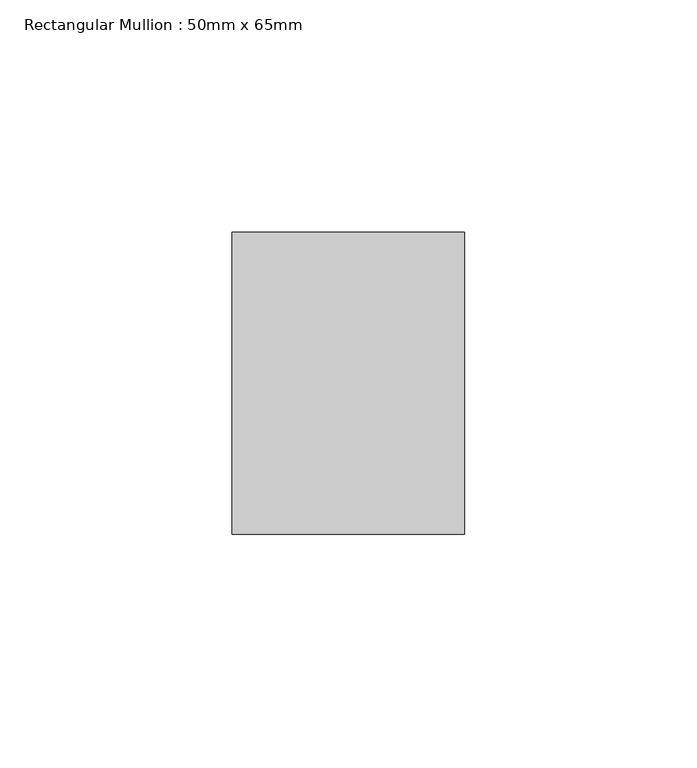
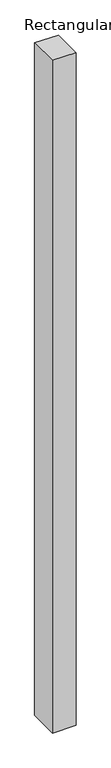
"""IFC4 building model written with IfcOpenShell, lengths in millimetres: member geometry, Rectangular Mullion : 50mm x 65mm."""

from ifc_helpers import new_model, si_unit, origin, place, context, project, spatial, faceted_brep, source, transform, mapped, element, save


def rectangular_mullion_50mm_x_65mm_0240d881(model_context):
    return source(origin(), model_context, "Body", "Brep", [
        faceted_brep([(-25.0, 32.5, -0.1835723), (25.0, 32.5, -0.1835708), (25.0, 32.5, -1499.7336428), (-25.0, 32.5, -1499.7336407), (-25.0, -32.5, 0.1835708), (-25.0, -32.5, -1500.2665353), (25.0, -32.5, 0.1835723), (25.0, -32.5, -1500.2665374)], [[[0, 1, 2, 3]], [[4, 0, 3, 5]], [[6, 4, 5, 7]], [[1, 6, 7, 2]], [[1, 0, 4, 6]], [[2, 7, 5, 3]]]),
    ])


if __name__ == "__main__":
    model = new_model("IFC4")
    model_context = context("Model", 3, world=origin())
    ifc_project = project(units=[si_unit("LENGTHUNIT", "METRE", prefix="MILLI")], contexts=[model_context])
    site = spatial("IfcSite", under=ifc_project)
    building = spatial("IfcBuilding", under=site)
    placement = place(None, origin())
    rectangular_mullion_50mm_x_65mm_shape = rectangular_mullion_50mm_x_65mm_0240d881(model_context)
    element("IfcMember", 1, ObjectType="Rectangular Mullion : 50mm x 65mm", at=placement, inside=building, context=model_context, shape_type="MappedRepresentation", body=[
        mapped(rectangular_mullion_50mm_x_65mm_shape, transform((0.0, 0.0, 0.0), x_axis=(1.0, 0.0, 0.0), y_axis=(0.0, 1.0, 0.0), z_axis=(0.0, 0.0, 1.0))),
    ])
    save(model, "model.ifc")
